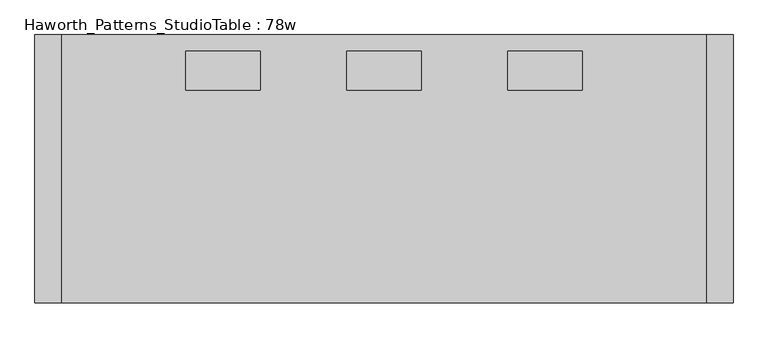
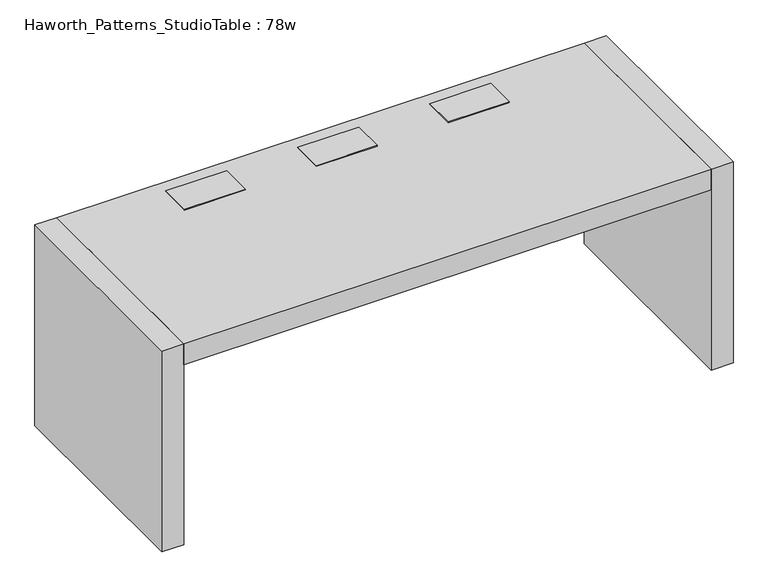
"""IFC4 building model written with IfcOpenShell, lengths in millimetres: furniture geometry, Haworth_Patterns_StudioTable : 78w."""

from ifc_helpers import new_model, si_unit, frame, origin, origin_with_axes, place, context, project, spatial, polyline, outline, extrude, faceted_brep, source, transform, mapped, element, save


def haworth_patterns_studiotable_78w_7fc7a46c(model_context):
    return source(origin(), model_context, "Body", "SolidModel", [
        faceted_brep([(559.59375, -152.4, 666.75), (559.59375, -50.8, 666.75), (559.59375, -50.8, 736.6), (559.59375, -152.4, 736.6), (562.76875, -46.0375, 739.775), (351.63125, -46.0375, 739.775), (351.63125, -157.1625, 739.775), (562.76875, -157.1625, 739.775), (562.76875, -46.0375, 736.6), (562.76875, -157.1625, 736.6), (351.63125, -157.1625, 736.6), (351.63125, -46.0375, 736.6), (354.80625, -50.8, 736.6), (354.80625, -152.4, 736.6), (354.80625, -152.4, 666.75), (354.80625, -50.8, 666.75)], [[[0, 1, 2, 3]], [[4, 5, 6, 7]], [[8, 9, 10, 11], [2, 12, 13, 3]], [[5, 4, 8, 11]], [[6, 5, 11, 10]], [[7, 6, 10, 9]], [[4, 7, 9, 8]], [[1, 0, 14, 15]], [[1, 15, 12, 2]], [[15, 14, 13, 12]], [[14, 0, 3, 13]]]),
        faceted_brep([(-354.80625, -152.4, 666.75), (-354.80625, -50.8, 666.75), (-354.80625, -50.8, 736.6), (-354.80625, -152.4, 736.6), (-351.63125, -46.0375, 739.775), (-562.76875, -46.0375, 739.775), (-562.76875, -157.1625, 739.775), (-351.63125, -157.1625, 739.775), (-351.63125, -46.0375, 736.6), (-351.63125, -157.1625, 736.6), (-562.76875, -157.1625, 736.6), (-562.76875, -46.0375, 736.6), (-559.59375, -50.8, 736.6), (-559.59375, -152.4, 736.6), (-559.59375, -152.4, 666.75), (-559.59375, -50.8, 666.75)], [[[0, 1, 2, 3]], [[4, 5, 6, 7]], [[8, 9, 10, 11], [2, 12, 13, 3]], [[5, 4, 8, 11]], [[6, 5, 11, 10]], [[7, 6, 10, 9]], [[4, 7, 9, 8]], [[1, 0, 14, 15]], [[1, 15, 12, 2]], [[15, 14, 13, 12]], [[14, 0, 3, 13]]]),
        faceted_brep([(102.39375, -152.4, 666.75), (102.39375, -50.8, 666.75), (102.39375, -50.8, 736.6), (102.39375, -152.4, 736.6), (105.56875, -46.0375, 739.775), (-105.56875, -46.0375, 739.775), (-105.56875, -157.1625, 739.775), (105.56875, -157.1625, 739.775), (105.56875, -46.0375, 736.6), (105.56875, -157.1625, 736.6), (-105.56875, -157.1625, 736.6), (-105.56875, -46.0375, 736.6), (-102.39375, -50.8, 736.6), (-102.39375, -152.4, 736.6), (-102.39375, -152.4, 666.75), (-102.39375, -50.8, 666.75)], [[[0, 1, 2, 3]], [[4, 5, 6, 7]], [[8, 9, 10, 11], [2, 12, 13, 3]], [[5, 4, 8, 11]], [[6, 5, 11, 10]], [[7, 6, 10, 9]], [[4, 7, 9, 8]], [[1, 0, 14, 15]], [[1, 15, 12, 2]], [[15, 14, 13, 12]], [[14, 0, 3, 13]]]),
        extrude(outline(polyline([(914.4, 0.0), (914.4, -762.0), (-914.4, -762.0), (-914.4, 0.0), (914.4, 0.0)])), frame((0.0, 0.0, 660.4), z_axis=(0.0, 0.0, 1.0), x_axis=(1.0, 0.0, 0.0)), (0.0, 0.0, 1.0), 76.2),
        extrude(outline(polyline([(914.4, 0.0), (990.6, 0.0), (990.6, -762.0), (914.4, -762.0), (914.4, 0.0)])), origin_with_axes(), (0.0, 0.0, 1.0), 736.6),
        extrude(outline(polyline([(-914.4, 0.0), (-914.4, -762.0), (-990.6, -762.0), (-990.6, 0.0), (-914.4, 0.0)])), origin_with_axes(), (0.0, 0.0, 1.0), 736.6),
    ])


if __name__ == "__main__":
    model = new_model("IFC4")
    model_context = context("Model", 3, world=origin())
    ifc_project = project(units=[si_unit("LENGTHUNIT", "METRE", prefix="MILLI")], contexts=[model_context])
    site = spatial("IfcSite", under=ifc_project)
    building = spatial("IfcBuilding", under=site)
    placement = place(None, origin())
    haworth_patterns_studiotable_78w_shape = haworth_patterns_studiotable_78w_7fc7a46c(model_context)
    element("IfcFurniture", 1, ObjectType="Haworth_Patterns_StudioTable : 78w", at=placement, inside=building, context=model_context, shape_type="MappedRepresentation", body=[
        mapped(haworth_patterns_studiotable_78w_shape, transform((0.0, 0.0, 0.0), x_axis=(1.0, 0.0, 0.0), y_axis=(0.0, 1.0, 0.0), z_axis=(0.0, 0.0, 1.0))),
    ])
    save(model, "model.ifc")
